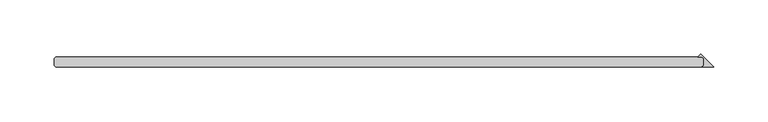
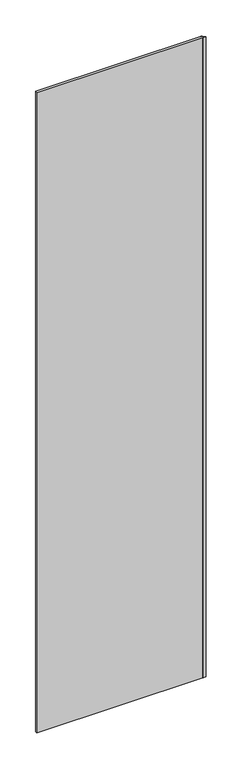
"""IFC4 building model written with IfcOpenShell, lengths in millimetres: plate geometry."""

from ifc_helpers import new_model, si_unit, origin, origin_with_axes, place, context, project, spatial, polyline, outline, extrude, source, transform, mapped, element, save


def plate_e6a00d37(model_context):
    return source(origin(), model_context, "Body", "SweptSolid", [
        extrude(outline(polyline([(282.178125, 26.9875), (282.178125, 33.3375), (280.590625, 34.925), (276.758061, 34.925), (279.468093, 37.635032), (291.703125, 25.4), (280.590625, 25.4), (282.178125, 26.9875)])), origin_with_axes(), (0.0, 0.0, 1.0), 2428.7789267),
        extrude(outline(polyline([(280.590625, 25.4), (-315.515625, 25.4), (-317.103125, 26.9875), (-317.103125, 33.3375), (-315.515625, 34.925), (280.590625, 34.925), (282.178125, 33.3375), (282.178125, 26.9875), (280.590625, 25.4)])), origin_with_axes(), (0.0, 0.0, 1.0), 2428.7789267),
    ])


if __name__ == "__main__":
    model = new_model("IFC4")
    model_context = context("Model", 3, world=origin())
    ifc_project = project(units=[si_unit("LENGTHUNIT", "METRE", prefix="MILLI")], contexts=[model_context])
    site = spatial("IfcSite", under=ifc_project)
    building = spatial("IfcBuilding", under=site)
    placement = place(None, origin())
    plate_shape = plate_e6a00d37(model_context)
    element("IfcPlate", 1, at=placement, inside=building, context=model_context, shape_type="MappedRepresentation", body=[
        mapped(plate_shape, transform((0.0, 0.0, 0.0), x_axis=(1.0, 0.0, 0.0), y_axis=(0.0, 1.0, 0.0), z_axis=(0.0, 0.0, 1.0))),
    ])
    save(model, "model.ifc")
